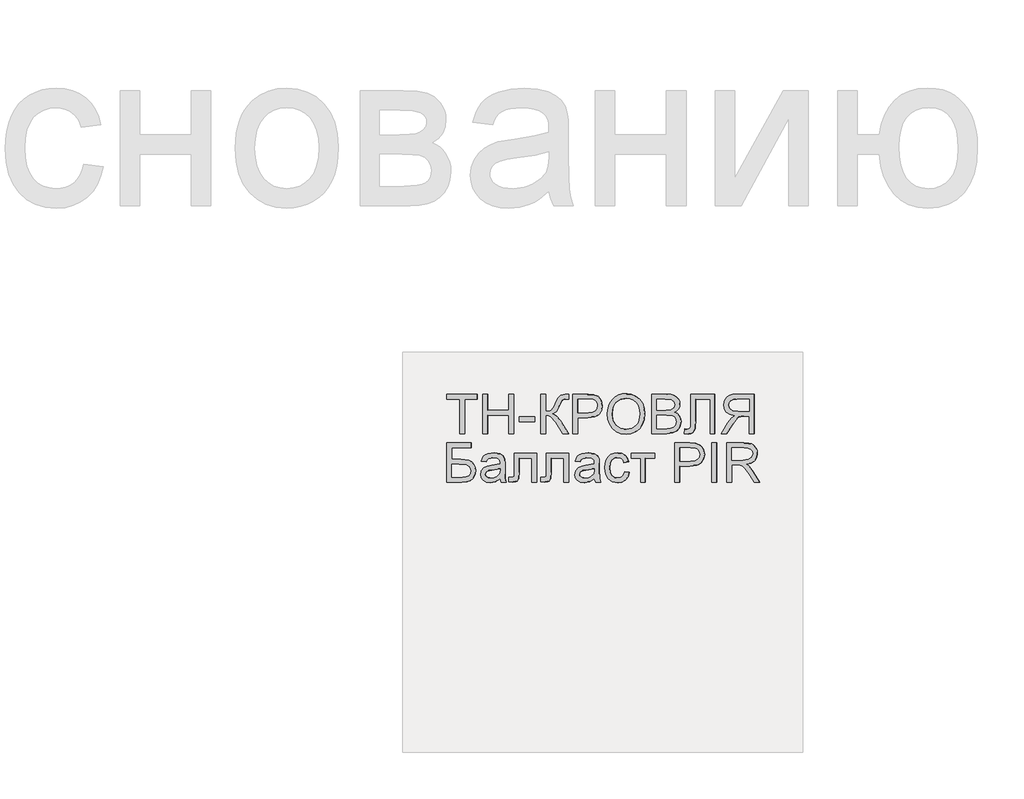
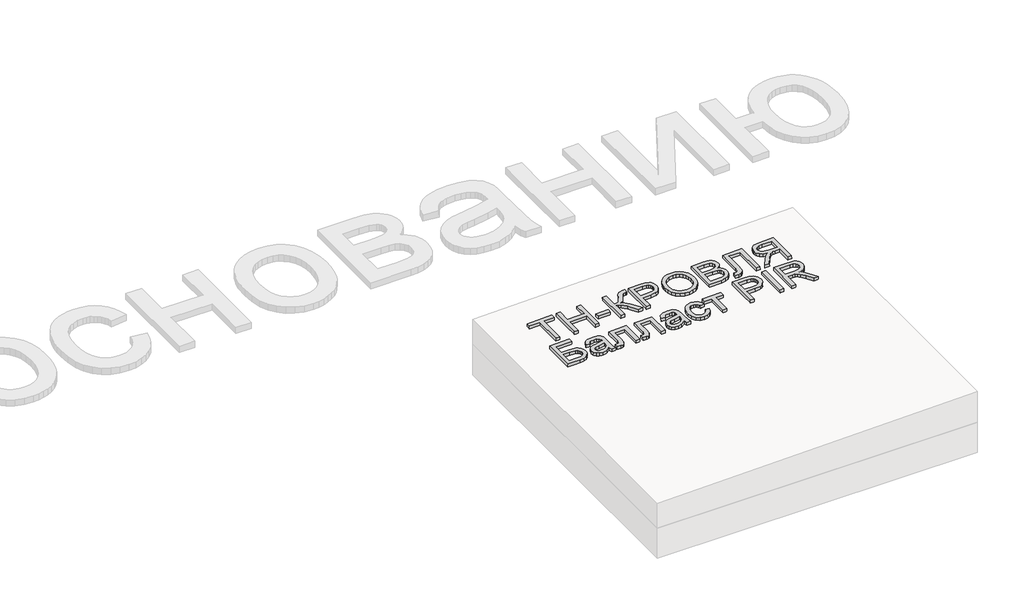
# One storey, part 3 of 3: 1 proxy.
"""IFC4 building model written with IfcOpenShell, lengths in millimetres."""

import ifcopenshell
import ifcopenshell.guid

model = None  # the IFC model being written
_history = None  # IfcOwnerHistory: only IFC2X3 demands one
_inside = {}  # id of a spatial element -> (the spatial element, [elements in it])
_under = {}  # id of a project, library or spatial element -> (it, [spatial elements below it])
_declared = {}  # id of a project -> (the project, [libraries it declares])
_typed = {}  # id of a type object -> (the type object, [elements of that type])
_made_of = {}  # id of a material, layer set ... -> (it, [elements and type objects made of it])


def new_model(schema):
    """Start an empty IFC model of exactly this schema.

    Asked for "IFC4X3", IfcOpenShell would pick the latest addendum, in which some entities
    have other attributes; the version numbers below select the first issue.
    IFC2X3 requires an IfcOwnerHistory on every rooted entity: one is made here for all.
    """
    global model, _history
    if schema == "IFC4X3":
        model = ifcopenshell.file(schema_version=(4, 3, 0, 0))
    else:
        model = ifcopenshell.file(schema=schema)
    _inside.clear()
    _under.clear()
    _declared.clear()
    _typed.clear()
    _made_of.clear()
    _history = None
    if model.schema == "IFC2X3":
        org = make("IfcOrganization", Name="unknown")
        user = make(
            "IfcPersonAndOrganization",
            ThePerson=make("IfcPerson", FamilyName="unknown"),
            TheOrganization=org,
        )
        app = make(
            "IfcApplication",
            ApplicationDeveloper=org,
            Version="unknown",
            ApplicationFullName="unknown",
            ApplicationIdentifier="unknown",
        )
        _history = make(
            "IfcOwnerHistory",
            OwningUser=user,
            OwningApplication=app,
            ChangeAction="ADDED",
            CreationDate=0,
        )
    return model


def make(cls, **values):
    """One entity of the class cls with the attributes given. An attribute that is None is left unset."""
    return model.create_entity(
        cls, **{name: value for name, value in values.items() if value is not None}
    )


def rooted(cls, **values):
    """An entity with a GlobalId (a new one), such as an element, a storey or a relation."""
    return make(cls, GlobalId=ifcopenshell.guid.new(), OwnerHistory=_history, **values)


def si_unit(unit_type, name, prefix=None):
    """IfcSIUnit, for example si_unit("LENGTHUNIT", "METRE", prefix="MILLI")."""
    return make("IfcSIUnit", UnitType=unit_type, Prefix=prefix, Name=name)


def assignment(units):
    """IfcUnitAssignment: the units of a project."""
    return None if units is None else make("IfcUnitAssignment", Units=units)


def point(xyz):
    """IfcCartesianPoint."""
    return None if xyz is None else make("IfcCartesianPoint", Coordinates=xyz)


def direction(xyz):
    """IfcDirection."""
    return None if xyz is None else make("IfcDirection", DirectionRatios=xyz)


def frame(location, z_axis=None, x_axis=None):
    """IfcAxis2Placement3D, a coordinate frame: its origin and axes. An axis left out is left unset."""
    return make(
        "IfcAxis2Placement3D",
        Location=point(location),
        Axis=direction(z_axis),
        RefDirection=direction(x_axis),
    )


def origin():
    """The frame at (0, 0, 0) with its axes left unset."""
    return frame((0.0, 0.0, 0.0))


def place(relative_to, where):
    """IfcLocalPlacement: puts the frame where relative to a parent placement (None: the world)."""
    return make(
        "IfcLocalPlacement", PlacementRelTo=relative_to, RelativePlacement=where
    )


def context(
    kind, dimensions, precision=None, world=None, true_north=None, identifier=None
):
    """IfcGeometricRepresentationContext, for example the 3D "Model" context."""
    return make(
        "IfcGeometricRepresentationContext",
        ContextIdentifier=identifier,
        ContextType=kind,
        CoordinateSpaceDimension=dimensions,
        Precision=precision,
        WorldCoordinateSystem=world,
        TrueNorth=true_north,
    )


def project(units=None, contexts=None):
    """IfcProject with its units and contexts."""
    return rooted(
        "IfcProject",
        Name="project",
        RepresentationContexts=contexts,
        UnitsInContext=assignment(units),
    )


def spatial(cls, under=None, at=None, **own):
    """A site, building, storey or space (cls), placed at a placement, below another one or the project."""
    s = rooted(cls, ObjectPlacement=at, **own)
    if under is not None:
        _under.setdefault(under.id(), (under, []))[1].append(s)
    return s


def polyline(points):
    """IfcPolyline through the points."""
    return make("IfcPolyline", Points=[point(p) for p in points])


def outline(outer, holes=None, kind="AREA"):
    """IfcArbitraryClosedProfileDef: a profile drawn as a closed curve; with holes, ...WithVoids."""
    if holes is None:
        return make("IfcArbitraryClosedProfileDef", ProfileType=kind, OuterCurve=outer)
    return make(
        "IfcArbitraryProfileDefWithVoids",
        ProfileType=kind,
        OuterCurve=outer,
        InnerCurves=holes,
    )


def extrude(swept, where, along, depth):
    """IfcExtrudedAreaSolid: the profile swept, set in the frame where, extruded along a direction by depth."""
    return make(
        "IfcExtrudedAreaSolid",
        SweptArea=swept,
        Position=where,
        ExtrudedDirection=direction(along),
        Depth=depth,
    )


def shape(context_of_items, identifier, shape_type, items):
    """IfcShapeRepresentation: the items that make up one representation, for example the "Body"."""
    return make(
        "IfcShapeRepresentation",
        ContextOfItems=context_of_items,
        RepresentationIdentifier=identifier,
        RepresentationType=shape_type,
        Items=items,
    )


def made_of(thing, what):
    """Note that an element or type object is made of a material, layer set ...; save() writes the relation."""
    if what is not None:
        _made_of.setdefault(what.id(), (what, []))[1].append(thing)
    return thing


def element(
    cls,
    number,
    at=None,
    inside=None,
    cuts=None,
    type_object=None,
    material=None,
    context=None,
    identifier="Body",
    shape_type=None,
    held_by="IfcProductDefinitionShape",
    body=None,
    shapes=None,
    **own,
):
    """One element of the class cls, such as IfcWall. Its Tag is "e" and its number.

    at: its placement. inside: the storey or other place that contains it. cuts: it is an
    opening in that element (IfcRelVoidsElement). A single representation is given by context,
    identifier, shape_type and body (its items); several are given by shapes. held_by: the class
    of the entity that holds the representations. save() writes the other relations.
    """
    e = rooted(cls, Tag="e%d" % number, ObjectPlacement=at, **own)
    if body is not None:
        shapes = [shape(context, identifier, shape_type, body)]
    if shapes is not None:
        e.Representation = make(held_by, Representations=shapes)
    if inside is not None:
        _inside.setdefault(inside.id(), (inside, []))[1].append(e)
    if cuts is not None:
        rooted(
            "IfcRelVoidsElement", RelatingBuildingElement=cuts, RelatedOpeningElement=e
        )
    if type_object is not None:
        _typed.setdefault(type_object.id(), (type_object, []))[1].append(e)
    return made_of(e, material)


def aggregate(whole, parts):
    """IfcRelAggregates: a whole, such as a stair, and the parts it consists of."""
    return rooted("IfcRelAggregates", RelatingObject=whole, RelatedObjects=parts)


def save(model, path):
    """Write the relations noted so far, then the file.

    IfcRelAggregates (storeys below a building ...), IfcRelContainedInSpatialStructure (elements
    in a storey), IfcRelDefinesByType, IfcRelAssociatesMaterial and IfcRelDeclares: one each for
    every whole, place, type object, material and project.
    """
    for whole, parts in _under.values():
        aggregate(whole, parts)
    for where, things in _inside.values():
        rooted(
            "IfcRelContainedInSpatialStructure",
            RelatedElements=things,
            RelatingStructure=where,
        )
    for kind, things in _typed.values():
        rooted("IfcRelDefinesByType", RelatedObjects=things, RelatingType=kind)
    for what, things in _made_of.values():
        rooted("IfcRelAssociatesMaterial", RelatedObjects=things, RelatingMaterial=what)
    for by, libraries in _declared.values():
        rooted("IfcRelDeclares", RelatingContext=by, RelatedDefinitions=libraries)
    model.write(path)


model = new_model("IFC4")

# Units and contexts
model_context = context("Model", 3, world=origin())
ifc_project = project(units=[si_unit("LENGTHUNIT", "METRE", prefix="MILLI")], contexts=[model_context])

# Site, building, storey
site = spatial("IfcSite", under=ifc_project)
building = spatial("IfcBuilding", under=site)
storey = spatial("IfcBuildingStorey", under=building, Elevation=0.0)

# Proxy
placement = place(None, origin())
element("IfcBuildingElementProxy", 1, Name="Generic Models", at=placement, inside=storey, context=model_context, shape_type="SweptSolid", body=[
    extrude(outline(polyline([(24.6153846, 0.0), (24.6153846, -172.3076923), (89.2307692, -172.3076923), (89.2307692, -196.9230769), (-64.6153846, -196.9230769), (-64.6153846, -172.3076923), (0.0, -172.3076923), (0.0, 0.0), (24.6153846, 0.0)])), frame((16014.7996368, -4710.2316754, 171.1680808), z_axis=(-0.019996001199563986, 0.0, 0.9998000599800078), x_axis=(-0.9998000599800078, 0.0, -0.019996001199563986)), (0.0, 0.0, 1.0), 20.0),
    extrude(outline(polyline([(24.6153847, 0.0), (24.6153847, -196.9230769), (0.0, -196.9230769), (0.0, -116.9230769), (-104.6153846, -116.9230769), (-104.6153846, -196.9230769), (-129.2307692, -196.9230769), (-129.2307692, 0.0), (-104.6153846, 0.0), (-104.6153846, -92.3076923), (0.0, -92.3076923), (0.0, 0.0), (24.6153847, 0.0)])), frame((16131.6993362, -4710.2316754, 173.5060748), z_axis=(-0.01999600119956399, 0.0, 0.9998000599800078), x_axis=(-0.9998000599800078, 0.0, -0.01999600119956399)), (0.0, 0.0, 1.0), 20.0),
    extrude(outline(polyline([(76.9230769, 0.0), (76.9230769, -24.6153846), (0.0, -24.6153846), (0.0, 0.0), (76.9230769, 0.0)])), frame((16365.4987348, -4651.7701369, 178.1820628), z_axis=(-0.01999600119956399, 0.0, 0.9998000599800078), x_axis=(-0.9998000599800078, 0.0, -0.01999600119956399)), (0.0, 0.0, 1.0), 20.0),
    extrude(outline(polyline([(196.9230769, 0.0), (196.9230769, -24.6153846), (110.7692308, -24.6153846), (112.3978365, -41.280048), (117.2836538, -52.1394231), (128.7800481, -60.9194711), (150.2403846, -71.3461538), (177.7644231, -84.9278846), (191.3942308, -100.3125), (196.9230769, -122.3076923), (196.6346154, -138.4615384), (172.0192308, -138.4615384), (172.1634615, -133.0288461), (172.3076923, -127.5961538), (170.8293269, -116.3221153), (166.3942308, -108.3653846), (141.0576923, -93.75), (110.1923077, -76.3221153), (100.0, -59.326923), (88.8701923, -78.3293269), (65.6730769, -97.0673076), (0.0, -138.4615384), (0.0, -109.9038461), (55.4807692, -74.9038461), (84.4471154, -50.2644231), (90.3425481, -38.8882211), (92.3076923, -24.6153846), (0.0, -24.6153846), (0.0, 0.0), (196.9230769, 0.0)])), frame((16396.2618136, -4710.2316754, 178.7973244), z_axis=(-0.019996001199563986, 0.0, 0.9998000599800078), x_axis=(0.0, 1.0, 0.0)), (0.0, 0.0, 1.0), 20.0),
    extrude(outline(polyline([(24.6153846, 0.0), (24.6153846, -196.9230769), (-48.3653846, -196.9230769), (-77.7884615, -195.0480769), (-101.7067307, -185.8413461), (-110.4026442, -177.6802885), (-117.2115385, -166.8028846), (-123.076923, -139.9519231), (-119.1165865, -116.7427885), (-107.2355769, -97.4038461), (-97.7208533, -89.7896635), (-85.0180288, -84.3509615), (-50.0480769, -80.0), (0.0, -80.0), (0.0, 0.0), (24.6153846, 0.0)]), holes=[polyline([(0.0, -104.6153846), (-51.4903846, -104.6153846), (-73.3173077, -106.875), (-87.7403846, -113.6538461), (-95.78125, -124.53125), (-98.4615384, -139.0865385), (-96.8810096, -150.1442308), (-92.1394231, -159.4711538), (-84.8257212, -166.4903846), (-75.5288461, -170.625), (-50.9134615, -172.3076923), (0.0, -172.3076923), (0.0, -104.6153846)])]), frame((16580.8402862, -4710.2316754, 182.4888938), z_axis=(-0.019996001199563986, 0.0, 0.9998000599800078), x_axis=(-0.9998000599800078, 0.0, -0.019996001199563986)), (0.0, 0.0, 1.0), 20.0),
    extrude(outline(polyline([(25.3428445, -1e-07), (48.1160484, -4.1938573), (67.8912361, -11.3545774), (84.6684074, -21.48216), (98.4475626, -34.5766053), (108.9049086, -49.9093782), (115.7166524, -66.7519435), (118.8827941, -85.1043011), (118.4033337, -104.9664512), (112.3116986, -130.2760814), (100.0658902, -152.2136344), (82.4868293, -169.6009171), (60.3954366, -181.2597367), (34.812491, -187.0380148), (6.7587717, -186.783673), (-21.0136463, -180.6528553), (-44.9882084, -168.8870738), (-63.9421569, -152.1247695), (-76.6527338, -131.0043835), (-83.1347827, -107.1750808), (-83.4031474, -82.2860261), (-77.1659621, -56.5935493), (-64.600884, -34.5586152), (-46.7404789, -17.2511253), (-24.6173127, -5.740981), (0.0, 0.0), (25.3428445, -1e-07)]), holes=[polyline([(22.3721769, -24.4366545), (-8.7890431, -25.9094148), (-33.7562618, -37.9787803), (-50.9832576, -58.3865327), (-58.9238091, -84.8744542), (-57.0179297, -112.8610055), (-44.5775814, -136.6179286), (-34.5460353, -146.3414542), (-22.1589798, -153.8699217), (9.6816594, -162.341683), (31.570013, -162.6815636), (50.9840871, -158.5364568), (67.4340475, -150.0149318), (80.43006, -137.2255582), (89.4380632, -121.0520254), (93.9239955, -102.3780232), (92.2935561, -75.5530128), (81.0850249, -51.6494365), (71.4163804, -41.5325654), (58.4080243, -33.6248114), (22.3721769, -24.4366545)])]), frame((16731.3150019, -4639.5525889, 185.4983881), z_axis=(-0.019996001199563986, 0.0, 0.9998000599800078), x_axis=(-0.11095588221402986, 0.9938228553011785, -0.002219117644276577)), (0.0, 0.0, 1.0), 20.0),
    extrude(outline(polyline([(74.5673077, 0.0), (74.5673077, -196.9230769), (-0.5769231, -196.9230769), (-21.2439904, -195.4747596), (-37.3798077, -191.1298077), (-49.7475961, -183.7800481), (-59.110577, -173.3173077), (-65.0060096, -161.0096154), (-66.9711538, -148.125), (-65.3185096, -136.2680288), (-60.3605769, -125.1201923), (-52.061298, -115.3665865), (-40.3846154, -107.6923077), (-54.3329327, -100.4086538), (-64.6394231, -89.3269231), (-71.0036058, -75.1802885), (-73.125, -58.7019231), (-67.3317308, -32.2355769), (-52.9807693, -13.3894231), (-31.5625, -3.3894231), (0.0, 0.0), (74.5673077, 0.0)]), holes=[polyline([(49.9519231, -116.9230769), (5.0, -116.9230769), (-21.25, -119.0384615), (-37.0432692, -128.1490385), (-42.3557692, -144.1826923), (-37.4038461, -160.2403846), (-23.2211538, -169.7355769), (8.4134616, -172.3076923), (49.9519231, -172.3076923), (49.9519231, -116.9230769)]), polyline([(49.9519231, -24.6153846), (-0.5288461, -24.6153846), (-18.7980769, -25.5769231), (-34.2548077, -30.9375), (-44.4951923, -41.875), (-48.5096154, -58.4615385), (-43.7980769, -77.5961538), (-37.6262019, -84.5132211), (-28.5336538, -89.0144231), (1.875, -92.3076923), (49.9519231, -92.3076923), (49.9519231, -24.6153846)])]), frame((17024.5496301, -4710.2316754, 191.3630807), z_axis=(-0.019996001199563986, 0.0, 0.9998000599800078), x_axis=(-0.9998000599800078, 0.0, -0.019996001199563986)), (0.0, 0.0, 1.0), 20.0),
    extrude(outline(polyline([(137.6442308, 0.0), (137.6442308, -120.0), (-59.2788461, -120.0), (-59.2788461, -95.3846154), (113.0288462, -95.3846154), (113.0288462, -24.6153846), (12.548077, -24.6153846), (-32.2836538, -21.7548078), (-44.951923, -17.3257212), (-54.4471153, -9.7596154), (-60.3786057, 0.6009616), (-62.3557692, 13.4134615), (-59.2788461, 33.8461538), (-34.6634615, 30.7692308), (-37.7403846, 18.9903846), (-36.0877403, 10.6670673), (-31.1298076, 4.7355769), (-20.0420673, 1.1838942), (0.0, 0.0), (137.6442308, 0.0)])), frame((17146.8809355, -4650.9528293, 193.8097068), z_axis=(-0.019996001199563986, 0.0, 0.9998000599800078), x_axis=(0.0, 1.0, 0.0)), (0.0, 0.0, 1.0), 20.0),
    extrude(outline(polyline([(24.6153846, -110.7692308), (0.0, -110.7692308), (0.0, -24.6153847), (-29.7115384, -24.6153847), (-43.9903846, -25.4807693), (-55.6971154, -30.1682693), (-68.7019231, -42.9326923), (-87.2115385, -69.9519231), (-112.8365384, -110.7692308), (-141.4423077, -110.7692308), (-108.6057692, -57.4038462), (-88.6538462, -32.0673077), (-74.6634615, -21.5384616), (-98.9122596, -15.0120193), (-115.889423, -3.2211539), (-125.8954326, 12.8605769), (-129.2307692, 32.2596153), (-127.2175481, 47.8545673), (-121.1778846, 62.0432692), (-111.7668269, 73.4855769), (-99.6394231, 80.8413461), (-83.046875, 84.8257211), (-60.2403846, 86.1538461), (24.6153846, 86.1538461), (24.6153846, -110.7692308)]), holes=[polyline([(0.0, 0.0), (0.0, 61.5384615), (-61.2980769, 61.5384615), (-80.7752404, 59.4110577), (-94.2067308, 53.0288461), (-102.0132211, 43.3533653), (-104.6153846, 31.3461538), (-99.1586538, 14.639423), (-83.1971153, 3.4855769), (-55.0961538, 0.0), (0.0, 0.0)])]), frame((17439.1301838, -4599.4624446, 199.6546918), z_axis=(-0.01999600119956399, 0.0, 0.9998000599800078), x_axis=(0.9998000599800078, 0.0, 0.01999600119956399)), (0.0, 0.0, 1.0), 20.0),
    extrude(outline(polyline([(196.9230769, 0.0), (196.9230769, -123.0769231), (172.3076923, -123.0769231), (172.3076923, -24.6153846), (113.8461539, -24.6153846), (113.8461539, -70.7211539), (108.8461539, -111.3461539), (101.6225962, -124.9399039), (89.9519231, -135.5288461), (74.9278846, -142.34375), (57.6442308, -144.6153846), (43.1310096, -142.9987981), (29.5913462, -138.1490384), (17.734375, -130.0901442), (8.2692308, -118.8461538), (2.0673077, -101.5024039), (0.0, -75.1442307), (0.0, 0.0), (196.9230769, 0.0)]), holes=[polyline([(24.6153846, -24.6153846), (24.6153846, -77.3557692), (26.6466346, -95.9975962), (32.7403846, -109.3269231), (42.8966346, -117.3317308), (57.1153846, -120.0), (67.7043269, -118.4735577), (76.3942308, -113.8942308), (82.8365385, -106.5925481), (86.6826923, -96.8990385), (89.2307692, -59.8076924), (89.2307692, -24.6153846), (24.6153846, -24.6153846)])]), frame((15925.5867084, -4953.3085985, 169.3838223), z_axis=(-0.019996001199563986, 0.0, 0.9998000599800078), x_axis=(0.0, 1.0, 0.0)), (0.0, 0.0, 1.0), 20.0),
    extrude(outline(polyline([(19.4601702, -1e-07), (11.1819963, 27.9207832), (14.9143961, 54.4732733), (24.1902839, 73.0649574), (37.3011934, 84.6897486), (52.8826325, 89.3590492), (69.5701086, 87.0842617), (86.5521477, 76.4571843), (96.0465823, 60.2429097), (98.2586563, 41.3376584), (95.0355657, 19.9618776), (89.5623927, -23.215375), (94.7162973, -25.0853757), (105.6740454, -26.9515756), (114.1004512, -24.4012291), (122.7587066, -15.3020791), (129.4557417, -0.8361792), (132.8384667, 24.2872046), (128.8153045, 32.9891693), (120.6530554, 40.8663574), (131.3561489, 63.2455532), (150.7935143, 45.5413592), (155.5977438, 34.3745662), (157.376525, 20.7448455), (151.8045309, -11.6304924), (138.2204199, -38.5478606), (122.4698447, -51.060142), (104.2335367, -52.9377443), (83.4202766, -47.2669291), (54.3668506, -37.5824538), (13.4016719, -25.2450099), (-7.7840681, -23.3522043), (0.0, 0.0), (19.4601702, -1e-07)]), holes=[polyline([(66.1645787, -15.5681362), (71.5617353, 24.4924485), (74.4731593, 45.8454244), (71.3488897, 56.9970141), (63.4279923, 63.1847402), (55.90428, 63.7605635), (48.4755881, 60.4405521), (41.8184615, 53.1258846), (36.6094453, 41.7177398), (33.8253486, 28.7094523), (34.3213549, 16.2294778), (42.7667647, -3.5119526), (59.5967713, -13.2268345), (66.1645787, -15.5681362)])]), frame((16199.3781094, -4953.3085985, 174.8596503), z_axis=(-0.019996001199563993, 0.0, 0.9998000599800079), x_axis=(-0.3161645394309611, 0.9486832980505197, -0.0063232907886077785)), (0.0, 0.0, 1.0), 20.0),
    extrude(outline(polyline([(92.2115384, 0.0), (92.2115384, -110.7692307), (-52.2596154, -110.7692307), (-52.2596154, -86.1538461), (67.5961538, -86.1538461), (67.5961538, -24.6153846), (-1.3942308, -24.6153846), (-33.2211539, -22.9567308), (-46.6586539, -13.8461538), (-50.9675481, -4.7355768), (-52.4038462, 7.6923077), (-51.1538462, 27.6923077), (-27.7884616, 27.6923077), (-27.7884616, 16.6826923), (-26.2740385, 5.5528846), (-21.4663462, 1.1057693), (0.0, 0.0), (92.2115384, 0.0)])), frame((16263.9805749, -4900.9047523, 176.1516996), z_axis=(-0.019996001199563986, 0.0, 0.9998000599800078), x_axis=(0.0, 1.0, 0.0)), (0.0, 0.0, 1.0), 20.0),
    extrude(outline(polyline([(92.2115384, 0.0), (92.2115384, -110.7692307), (-52.2596154, -110.7692307), (-52.2596154, -86.1538461), (67.5961538, -86.1538461), (67.5961538, -24.6153846), (-1.3942308, -24.6153846), (-33.2211539, -22.9567308), (-46.6586539, -13.8461538), (-50.9675481, -4.7355768), (-52.4038462, 7.6923077), (-51.1538462, 27.6923077), (-27.7884616, 27.6923077), (-27.7884616, 16.6826923), (-26.2740385, 5.5528846), (-21.4663462, 1.1057693), (0.0, 0.0), (92.2115384, 0.0)])), frame((16423.9485845, -4900.9047523, 179.3510598), z_axis=(-0.019996001199563986, 0.0, 0.9998000599800078), x_axis=(0.0, 1.0, 0.0)), (0.0, 0.0, 1.0), 20.0),
    extrude(outline(polyline([(19.4601703, 0.0), (11.1819963, 27.9207833), (14.9143961, 54.4732733), (24.1902839, 73.0649574), (37.3011934, 84.6897486), (52.8826325, 89.3590492), (69.5701086, 87.0842617), (86.5521477, 76.4571844), (96.0465823, 60.2429097), (98.2586564, 41.3376585), (95.0355657, 19.9618777), (89.5623928, -23.2153749), (94.7162973, -25.0853756), (105.6740454, -26.9515756), (114.1004512, -24.4012291), (122.7587066, -15.3020791), (129.4557417, -0.8361792), (132.8384667, 24.2872046), (128.8153045, 32.9891694), (120.6530554, 40.8663574), (131.3561489, 63.2455532), (150.7935143, 45.5413592), (155.5977439, 34.3745663), (157.376525, 20.7448455), (151.8045309, -11.6304924), (138.2204199, -38.5478606), (122.4698447, -51.0601419), (104.2335367, -52.9377443), (83.4202766, -47.2669291), (54.3668506, -37.5824538), (13.4016719, -25.2450098), (-7.7840681, -23.3522042), (0.0, 0.0), (19.4601703, 0.0)]), holes=[polyline([(66.1645788, -15.5681361), (71.5617354, 24.4924486), (74.4731593, 45.8454244), (71.3488898, 56.9970142), (63.4279923, 63.1847402), (55.9042801, 63.7605636), (48.4755881, 60.4405521), (41.8184615, 53.1258846), (36.6094453, 41.7177399), (33.8253486, 28.7094523), (34.3213549, 16.2294779), (42.7667647, -3.5119526), (59.5967713, -13.2268344), (66.1645788, -15.5681361)])]), frame((16670.0532146, -4953.3085985, 184.2731524), z_axis=(-0.019996001199563993, 0.0, 0.9998000599800079), x_axis=(-0.3161645394309611, 0.9486832980505197, -0.0063232907886077785)), (0.0, 0.0, 1.0), 20.0),
    extrude(outline(polyline([(14.2739448, 1e-07), (18.5774162, -24.4308155), (-4.3658123, -24.3147238), (-23.9730045, -16.8581343), (-39.1287659, -2.9877765), (-48.7177025, 16.3696197), (-51.7999354, 42.8176799), (-43.9550055, 66.6568587), (-25.3354265, 86.2178676), (3.9062883, 99.8314183), (25.3948449, 104.4802097), (45.1992054, 104.6740484), (62.6451939, 100.1110146), (77.0586344, 90.4891883), (88.0614871, 77.0566736), (95.2757118, 61.0615745), (98.5250521, 40.2990925), (94.8035116, 21.7539991), (84.4149332, 6.0732077), (67.6631596, -6.0963687), (57.4783633, 16.5234134), (66.4279038, 23.9512855), (71.7390475, 32.8620536), (73.5020103, 42.8810606), (71.8070078, 53.6336492), (64.2193556, 67.9417387), (51.7849492, 77.324077), (34.3582431, 80.5788394), (11.793692, 76.5042013), (-9.4649736, 67.1472584), (-22.146962, 54.8097826), (-27.1652793, 40.2921827), (-25.4329315, 24.394867), (-19.8783047, 12.7682799), (-11.392372, 4.4463754), (0.0, 0.0), (14.2739448, 1e-07)])), frame((16810.4398036, -4914.6427331, 187.0808842), z_axis=(-0.019996001199563983, 0.0, 0.9998000599800078), x_axis=(0.29423409729286476, 0.9557152643484613, 0.005884681945846657)), (0.0, 0.0, 1.0), 20.0),
    extrude(outline(polyline([(24.6153846, 0.0), (24.6153846, -116.9230769), (0.0, -116.9230769), (0.0, -70.7692307), (-120.0, -70.7692307), (-120.0, -46.1538461), (0.0, -46.1538461), (0.0, 0.0), (24.6153846, 0.0)])), frame((16848.4790715, -4833.3085985, 187.8416695), z_axis=(-0.019996001199563986, 0.0, 0.9998000599800078), x_axis=(0.0, 1.0, 0.0)), (0.0, 0.0, 1.0), 20.0),
    extrude(outline(polyline([(24.6153846, 0.0), (24.6153846, -196.9230769), (-48.3653847, -196.9230769), (-77.7884615, -195.0480769), (-101.7067308, -185.8413462), (-110.4026443, -177.6802885), (-117.2115385, -166.8028846), (-123.0769231, -139.9519231), (-119.1165866, -116.7427885), (-107.235577, -97.4038462), (-97.7208534, -89.7896635), (-85.0180289, -84.3509616), (-50.0480769, -80.0), (0.0, -80.0), (0.0, 0.0), (24.6153846, 0.0)]), holes=[polyline([(0.0, -104.6153846), (-51.4903847, -104.6153846), (-73.3173078, -106.875), (-87.7403846, -113.6538462), (-95.78125, -124.53125), (-98.4615385, -139.0865385), (-96.8810097, -150.1442308), (-92.1394232, -159.4711539), (-84.8257212, -166.4903846), (-75.5288461, -170.625), (-50.9134615, -172.3076923), (0.0, -172.3076923), (0.0, -104.6153846)])]), frame((17091.5073937, -4953.3085985, 192.702236), z_axis=(-0.019996001199563986, 0.0, 0.9998000599800078), x_axis=(-0.9998000599800078, 0.0, -0.019996001199563986)), (0.0, 0.0, 1.0), 20.0),
    extrude(outline(polyline([(24.6153846, 0.0), (24.6153846, -196.9230769), (0.0, -196.9230769), (0.0, 0.0), (24.6153846, 0.0)])), frame((17276.0858663, -4953.3085985, 196.3938054), z_axis=(-0.019996001199563986, 0.0, 0.9998000599800078), x_axis=(-0.9998000599800078, 0.0, -0.019996001199563986)), (0.0, 0.0, 1.0), 20.0),
    extrude(outline(polyline([(24.6153846, 0.0), (24.6153846, -196.9230769), (-60.2403846, -196.9230769), (-83.046875, -195.5949519), (-99.6394231, -191.6105769), (-111.7668269, -184.2548077), (-121.1778846, -172.8125), (-127.2175481, -158.6237981), (-129.2307692, -143.0288462), (-125.8954326, -123.6298077), (-115.889423, -107.5480769), (-98.9122596, -95.7572116), (-74.6634615, -89.2307692), (-88.6538462, -78.7019231), (-108.6057692, -53.3653846), (-141.4423077, 0.0), (-112.8365384, 0.0), (-87.2115385, -40.8173077), (-68.7019231, -67.8365385), (-55.6971154, -80.6009616), (-43.9903846, -85.2884616), (-29.7115384, -86.1538462), (0.0, -86.1538462), (0.0, 0.0), (24.6153846, 0.0)]), holes=[polyline([(0.0, -110.7692308), (-55.0961538, -110.7692308), (-83.1971153, -114.2548077), (-99.1586539, -125.4086539), (-104.6153846, -142.1153846), (-102.0132211, -154.1225962), (-94.2067308, -163.7980769), (-80.7752404, -170.1802885), (-61.2980769, -172.3076923), (0.0, -172.3076923), (0.0, -110.7692308)])]), frame((17349.9172554, -4953.3085985, 197.8704332), z_axis=(-0.019996001199563986, 0.0, 0.9998000599800078), x_axis=(-0.9998000599800078, 0.0, -0.019996001199563986)), (0.0, 0.0, 1.0), 20.0),
])

save(model, "model.ifc")
